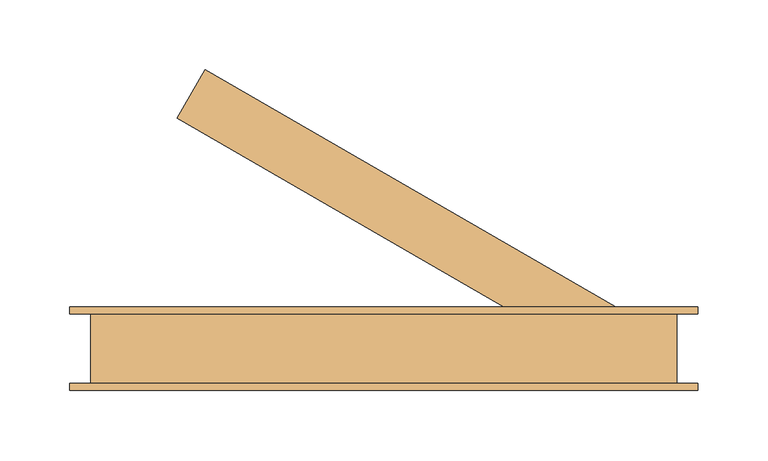
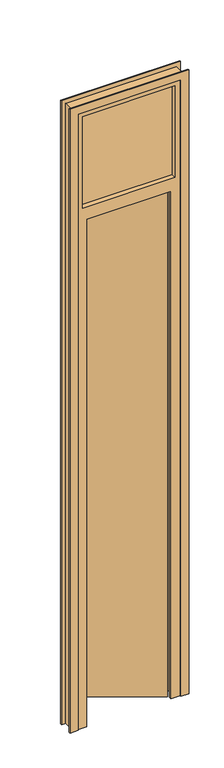
"""IFC4 building model written with IfcOpenShell, lengths in millimetres: door geometry."""

import ifcopenshell
import ifcopenshell.guid

model = None  # the IFC model being written
_history = None  # IfcOwnerHistory: only IFC2X3 demands one
_inside = {}  # id of a spatial element -> (the spatial element, [elements in it])
_under = {}  # id of a project, library or spatial element -> (it, [spatial elements below it])
_declared = {}  # id of a project -> (the project, [libraries it declares])
_typed = {}  # id of a type object -> (the type object, [elements of that type])
_made_of = {}  # id of a material, layer set ... -> (it, [elements and type objects made of it])


def new_model(schema):
    """Start an empty IFC model of exactly this schema.

    Asked for "IFC4X3", IfcOpenShell would pick the latest addendum, in which some entities
    have other attributes; the version numbers below select the first issue.
    IFC2X3 requires an IfcOwnerHistory on every rooted entity: one is made here for all.
    """
    global model, _history
    if schema == "IFC4X3":
        model = ifcopenshell.file(schema_version=(4, 3, 0, 0))
    else:
        model = ifcopenshell.file(schema=schema)
    _inside.clear()
    _under.clear()
    _declared.clear()
    _typed.clear()
    _made_of.clear()
    _history = None
    if model.schema == "IFC2X3":
        org = make("IfcOrganization", Name="unknown")
        user = make(
            "IfcPersonAndOrganization",
            ThePerson=make("IfcPerson", FamilyName="unknown"),
            TheOrganization=org,
        )
        app = make(
            "IfcApplication",
            ApplicationDeveloper=org,
            Version="unknown",
            ApplicationFullName="unknown",
            ApplicationIdentifier="unknown",
        )
        _history = make(
            "IfcOwnerHistory",
            OwningUser=user,
            OwningApplication=app,
            ChangeAction="ADDED",
            CreationDate=0,
        )
    return model


def make(cls, **values):
    """One entity of the class cls with the attributes given. An attribute that is None is left unset."""
    return model.create_entity(
        cls, **{name: value for name, value in values.items() if value is not None}
    )


def rooted(cls, **values):
    """An entity with a GlobalId (a new one), such as an element, a storey or a relation."""
    return make(cls, GlobalId=ifcopenshell.guid.new(), OwnerHistory=_history, **values)


def si_unit(unit_type, name, prefix=None):
    """IfcSIUnit, for example si_unit("LENGTHUNIT", "METRE", prefix="MILLI")."""
    return make("IfcSIUnit", UnitType=unit_type, Prefix=prefix, Name=name)


def assignment(units):
    """IfcUnitAssignment: the units of a project."""
    return None if units is None else make("IfcUnitAssignment", Units=units)


def point(xyz):
    """IfcCartesianPoint."""
    return None if xyz is None else make("IfcCartesianPoint", Coordinates=xyz)


def direction(xyz):
    """IfcDirection."""
    return None if xyz is None else make("IfcDirection", DirectionRatios=xyz)


def frame(location, z_axis=None, x_axis=None):
    """IfcAxis2Placement3D, a coordinate frame: its origin and axes. An axis left out is left unset."""
    return make(
        "IfcAxis2Placement3D",
        Location=point(location),
        Axis=direction(z_axis),
        RefDirection=direction(x_axis),
    )


def origin():
    """The frame at (0, 0, 0) with its axes left unset."""
    return frame((0.0, 0.0, 0.0))


def origin_with_axes():
    """The frame at (0, 0, 0) with the z axis (0, 0, 1) and the x axis (1, 0, 0) written out."""
    return frame((0.0, 0.0, 0.0), z_axis=(0.0, 0.0, 1.0), x_axis=(1.0, 0.0, 0.0))


def place(relative_to, where):
    """IfcLocalPlacement: puts the frame where relative to a parent placement (None: the world)."""
    return make(
        "IfcLocalPlacement", PlacementRelTo=relative_to, RelativePlacement=where
    )


def context(
    kind, dimensions, precision=None, world=None, true_north=None, identifier=None
):
    """IfcGeometricRepresentationContext, for example the 3D "Model" context."""
    return make(
        "IfcGeometricRepresentationContext",
        ContextIdentifier=identifier,
        ContextType=kind,
        CoordinateSpaceDimension=dimensions,
        Precision=precision,
        WorldCoordinateSystem=world,
        TrueNorth=true_north,
    )


def project(units=None, contexts=None):
    """IfcProject with its units and contexts."""
    return rooted(
        "IfcProject",
        Name="project",
        RepresentationContexts=contexts,
        UnitsInContext=assignment(units),
    )


def spatial(cls, under=None, at=None, **own):
    """A site, building, storey or space (cls), placed at a placement, below another one or the project."""
    s = rooted(cls, ObjectPlacement=at, **own)
    if under is not None:
        _under.setdefault(under.id(), (under, []))[1].append(s)
    return s


def polyline(points):
    """IfcPolyline through the points."""
    return make("IfcPolyline", Points=[point(p) for p in points])


def outline(outer, holes=None, kind="AREA"):
    """IfcArbitraryClosedProfileDef: a profile drawn as a closed curve; with holes, ...WithVoids."""
    if holes is None:
        return make("IfcArbitraryClosedProfileDef", ProfileType=kind, OuterCurve=outer)
    return make(
        "IfcArbitraryProfileDefWithVoids",
        ProfileType=kind,
        OuterCurve=outer,
        InnerCurves=holes,
    )


def extrude(swept, where, along, depth):
    """IfcExtrudedAreaSolid: the profile swept, set in the frame where, extruded along a direction by depth."""
    return make(
        "IfcExtrudedAreaSolid",
        SweptArea=swept,
        Position=where,
        ExtrudedDirection=direction(along),
        Depth=depth,
    )


def faces_of(points, faces, orient=None, outer=None):
    """IfcFace entities. A face is a list of loops; a loop is a list of indices into points, from 0.

    orient and outer hold one flag for each loop. By default every Orientation is true, the
    first loop of a face is its IfcFaceOuterBound and the others are IfcFaceBound.
    """
    made = []
    for i, loops in enumerate(faces):
        bounds = []
        for j, loop in enumerate(loops):
            is_outer = j == 0 if outer is None else outer[i][j]
            bounds.append(
                make(
                    "IfcFaceOuterBound" if is_outer else "IfcFaceBound",
                    Bound=make("IfcPolyLoop", Polygon=[points[k] for k in loop]),
                    Orientation=True if orient is None else orient[i][j],
                )
            )
        made.append(make("IfcFace", Bounds=bounds))
    return made


def faceted_brep(points, faces, orient=None, outer=None, voids=None):
    """IfcFacetedBrep: a solid bounded by flat faces; with voids (closed shells), ...WithVoids."""
    shared = [point(p) for p in points]
    hull = make("IfcClosedShell", CfsFaces=faces_of(shared, faces, orient, outer))
    if voids is None:
        return make("IfcFacetedBrep", Outer=hull)
    return make(
        "IfcFacetedBrepWithVoids",
        Outer=hull,
        Voids=[
            make(cls, CfsFaces=faces_of(shared, fs, o, b)) for cls, fs, o, b in voids
        ],
    )


def shape(context_of_items, identifier, shape_type, items):
    """IfcShapeRepresentation: the items that make up one representation, for example the "Body"."""
    return make(
        "IfcShapeRepresentation",
        ContextOfItems=context_of_items,
        RepresentationIdentifier=identifier,
        RepresentationType=shape_type,
        Items=items,
    )


def source(mapping_origin, context_of_items, identifier, shape_type, items):
    """IfcRepresentationMap: a shape defined once, which mapped items show again and again."""
    return make(
        "IfcRepresentationMap",
        MappingOrigin=mapping_origin,
        MappedRepresentation=shape(context_of_items, identifier, shape_type, items),
    )


def transform(
    local_origin,
    x_axis=None,
    y_axis=None,
    z_axis=None,
    scale=None,
    scale2=None,
    scale3=None,
    uniform=True,
):
    """IfcCartesianTransformationOperator3D, or its non-uniform kind. x_axis, y_axis, z_axis: its Axis1, 2, 3."""
    if uniform:
        return make(
            "IfcCartesianTransformationOperator3D",
            Axis1=direction(x_axis),
            Axis2=direction(y_axis),
            LocalOrigin=point(local_origin),
            Scale=scale,
            Axis3=direction(z_axis),
        )
    return make(
        "IfcCartesianTransformationOperator3DnonUniform",
        Axis1=direction(x_axis),
        Axis2=direction(y_axis),
        LocalOrigin=point(local_origin),
        Scale=scale,
        Axis3=direction(z_axis),
        Scale2=scale2,
        Scale3=scale3,
    )


def mapped(mapping_source, mapping_target):
    """IfcMappedItem: shows the shape of a source again, moved by a transform."""
    return make(
        "IfcMappedItem", MappingSource=mapping_source, MappingTarget=mapping_target
    )


def made_of(thing, what):
    """Note that an element or type object is made of a material, layer set ...; save() writes the relation."""
    if what is not None:
        _made_of.setdefault(what.id(), (what, []))[1].append(thing)
    return thing


def element(
    cls,
    number,
    at=None,
    inside=None,
    cuts=None,
    type_object=None,
    material=None,
    context=None,
    identifier="Body",
    shape_type=None,
    held_by="IfcProductDefinitionShape",
    body=None,
    shapes=None,
    **own,
):
    """One element of the class cls, such as IfcWall. Its Tag is "e" and its number.

    at: its placement. inside: the storey or other place that contains it. cuts: it is an
    opening in that element (IfcRelVoidsElement). A single representation is given by context,
    identifier, shape_type and body (its items); several are given by shapes. held_by: the class
    of the entity that holds the representations. save() writes the other relations.
    """
    e = rooted(cls, Tag="e%d" % number, ObjectPlacement=at, **own)
    if body is not None:
        shapes = [shape(context, identifier, shape_type, body)]
    if shapes is not None:
        e.Representation = make(held_by, Representations=shapes)
    if inside is not None:
        _inside.setdefault(inside.id(), (inside, []))[1].append(e)
    if cuts is not None:
        rooted(
            "IfcRelVoidsElement", RelatingBuildingElement=cuts, RelatedOpeningElement=e
        )
    if type_object is not None:
        _typed.setdefault(type_object.id(), (type_object, []))[1].append(e)
    return made_of(e, material)


def aggregate(whole, parts):
    """IfcRelAggregates: a whole, such as a stair, and the parts it consists of."""
    return rooted("IfcRelAggregates", RelatingObject=whole, RelatedObjects=parts)


def save(model, path):
    """Write the relations noted so far, then the file.

    IfcRelAggregates (storeys below a building ...), IfcRelContainedInSpatialStructure (elements
    in a storey), IfcRelDefinesByType, IfcRelAssociatesMaterial and IfcRelDeclares: one each for
    every whole, place, type object, material and project.
    """
    for whole, parts in _under.values():
        aggregate(whole, parts)
    for where, things in _inside.values():
        rooted(
            "IfcRelContainedInSpatialStructure",
            RelatedElements=things,
            RelatingStructure=where,
        )
    for kind, things in _typed.values():
        rooted("IfcRelDefinesByType", RelatedObjects=things, RelatingType=kind)
    for what, things in _made_of.values():
        rooted("IfcRelAssociatesMaterial", RelatedObjects=things, RelatingMaterial=what)
    for by, libraries in _declared.values():
        rooted("IfcRelDeclares", RelatingContext=by, RelatedDefinitions=libraries)
    model.write(path)


def door_43bc1cb2(model_context):
    return source(origin(), model_context, "Body", "SolidModel", [
        extrude(outline(polyline([(-183.1088913, 165.3589838), (-163.1088913, 200.0), (140.0, 25.0), (120.0, -9.6410162), (-183.1088913, 165.3589838)])), origin_with_axes(), (0.0, 0.0, 1.0), 2040.0),
        extrude(outline(polyline([(0.0, -230.0), (2460.0, -230.0), (2460.0, 160.0), (0.0, 160.0), (0.0, 190.0), (2490.0, 190.0), (2490.0, -260.0), (0.0, -260.0), (0.0, -230.0)])), frame((0.0, 25.0, 0.0), z_axis=(0.0, 1.0, 0.0), x_axis=(0.0, 0.0, 1.0)), (0.0, 0.0, 1.0), 5.0),
        extrude(outline(polyline([(0.0, -230.0), (2460.0, -230.0), (2460.0, 160.0), (0.0, 160.0), (0.0, 190.0), (2490.0, 190.0), (2490.0, -260.0), (0.0, -260.0), (0.0, -230.0)])), frame((0.0, -30.0, 0.0), z_axis=(0.0, 1.0, 0.0), x_axis=(0.0, 0.0, 1.0)), (0.0, 0.0, 1.0), 5.0),
        extrude(outline(polyline([(140.0, 6.0), (140.0, -6.0), (-210.0, -6.0), (-210.0, 6.0), (140.0, 6.0)])), frame((0.0, 0.0, 2075.0), z_axis=(0.0, 0.0, 1.0), x_axis=(1.0, 0.0, 0.0)), (0.0, 0.0, 1.0), 365.0),
        faceted_brep([(-245.0, 25.0, 0.0), (-210.0, 25.0, 0.0), (-210.0, -15.0, 0.0), (-195.0, -15.0, 0.0), (-195.0, -25.0, 0.0), (-245.0, -25.0, 0.0), (-245.0, -25.0, 2475.0), (-245.0, 25.0, 2475.0), (-195.0, -25.0, 2025.0), (125.0, -25.0, 2025.0), (125.0, -25.0, 0.0), (175.0, -25.0, 0.0), (175.0, -25.0, 2475.0), (-210.0, -25.0, 2075.0), (-210.0, -25.0, 2440.0), (140.0, -25.0, 2440.0), (140.0, -25.0, 2075.0), (-195.0, -15.0, 2025.0), (-210.0, -15.0, 2040.0), (140.0, -15.0, 2040.0), (140.0, -15.0, 0.0), (125.0, -15.0, 0.0), (125.0, -15.0, 2025.0), (-210.0, 25.0, 2040.0), (175.0, 25.0, 2475.0), (175.0, 25.0, 0.0), (140.0, 25.0, 0.0), (140.0, 25.0, 2040.0), (140.0, 25.0, 2075.0), (140.0, 25.0, 2440.0), (-210.0, 25.0, 2440.0), (-210.0, 25.0, 2075.0)], [[[0, 1, 2, 3, 4, 5]], [[5, 6, 7, 0]], [[4, 8, 9, 10, 11, 12, 6, 5], [13, 14, 15, 16]], [[3, 17, 8, 4]], [[2, 18, 19, 20, 21, 22, 17, 3]], [[1, 23, 18, 2]], [[7, 24, 25, 26, 27, 23, 1, 0], [28, 29, 30, 31]], [[11, 25, 24, 12]], [[10, 21, 20, 26, 25, 11]], [[9, 22, 21, 10]], [[19, 27, 26, 20]], [[7, 6, 12, 24]], [[28, 16, 15, 29]], [[29, 15, 14, 30]], [[30, 14, 13, 31]], [[16, 28, 31, 13]], [[8, 17, 22, 9]], [[18, 23, 27, 19]]]),
    ])


if __name__ == "__main__":
    model = new_model("IFC4")
    model_context = context("Model", 3, world=origin())
    ifc_project = project(units=[si_unit("LENGTHUNIT", "METRE", prefix="MILLI")], contexts=[model_context])
    site = spatial("IfcSite", under=ifc_project)
    building = spatial("IfcBuilding", under=site)
    placement = place(None, origin())
    door_shape = door_43bc1cb2(model_context)
    element("IfcDoor", 1, at=placement, inside=building, context=model_context, shape_type="MappedRepresentation", body=[
        mapped(door_shape, transform((0.0, 0.0, 0.0), x_axis=(1.0, 0.0, 0.0), y_axis=(0.0, 1.0, 0.0), z_axis=(0.0, 0.0, 1.0))),
    ])
    save(model, "model.ifc")
